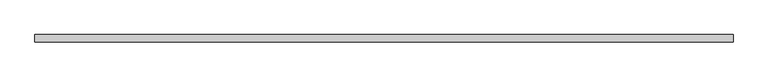
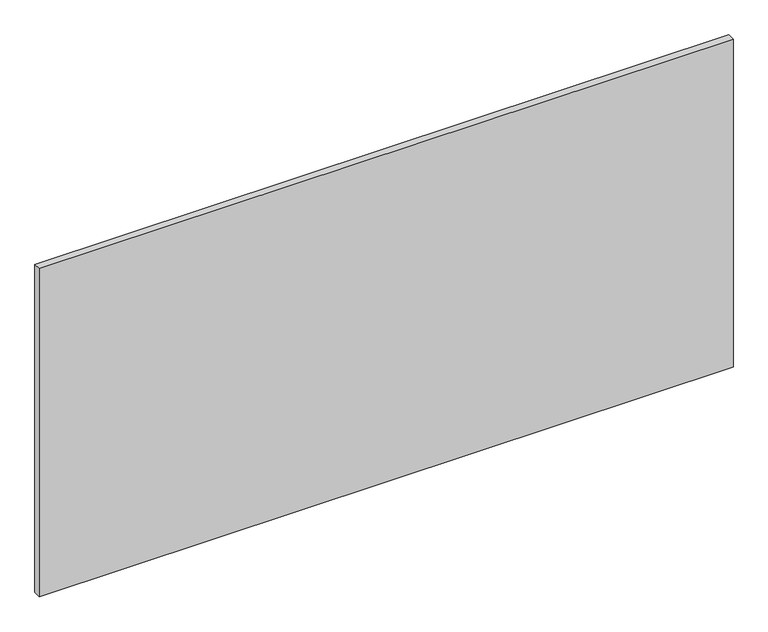
"""IFC4 building model written with IfcOpenShell, lengths in millimetres: furniture geometry."""

from ifc_helpers import new_model, si_unit, frame, origin, place, context, project, spatial, polyline, outline, extrude, source, transform, mapped, element, save


def furniture_67a39b96(model_context):
    return source(origin(), model_context, "Body", "SweptSolid", [
        extrude(outline(polyline([(1828.8, -57.15), (0.0, -57.15), (0.0, -38.1), (1828.8, -38.1), (1828.8, -57.15)])), frame((0.0, 0.0, 1036.1701109), z_axis=(0.0, 0.0, 1.0), x_axis=(1.0, 0.0, 0.0)), (0.0, 0.0, 1.0), 914.4),
    ])


if __name__ == "__main__":
    model = new_model("IFC4")
    model_context = context("Model", 3, world=origin())
    ifc_project = project(units=[si_unit("LENGTHUNIT", "METRE", prefix="MILLI")], contexts=[model_context])
    site = spatial("IfcSite", under=ifc_project)
    building = spatial("IfcBuilding", under=site)
    placement = place(None, origin())
    furniture_shape = furniture_67a39b96(model_context)
    element("IfcFurniture", 1, at=placement, inside=building, context=model_context, shape_type="MappedRepresentation", body=[
        mapped(furniture_shape, transform((0.0, 0.0, 0.0), x_axis=(1.0, 0.0, 0.0), y_axis=(0.0, 1.0, 0.0), z_axis=(0.0, 0.0, 1.0))),
    ])
    save(model, "model.ifc")
